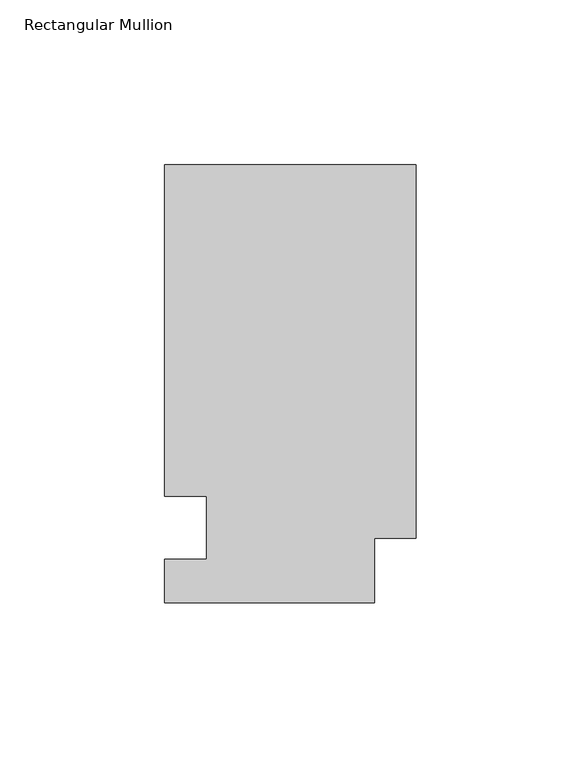
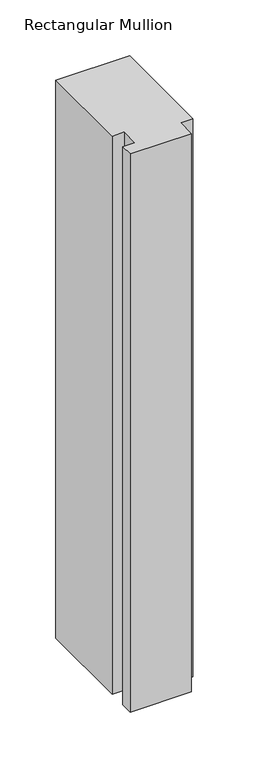
"""IFC4 building model written with IfcOpenShell, lengths in millimetres: member geometry, Rectangular Mullion."""

import ifcopenshell
import ifcopenshell.guid

model = None  # the IFC model being written
_history = None  # IfcOwnerHistory: only IFC2X3 demands one
_inside = {}  # id of a spatial element -> (the spatial element, [elements in it])
_under = {}  # id of a project, library or spatial element -> (it, [spatial elements below it])
_declared = {}  # id of a project -> (the project, [libraries it declares])
_typed = {}  # id of a type object -> (the type object, [elements of that type])
_made_of = {}  # id of a material, layer set ... -> (it, [elements and type objects made of it])


def new_model(schema):
    """Start an empty IFC model of exactly this schema.

    Asked for "IFC4X3", IfcOpenShell would pick the latest addendum, in which some entities
    have other attributes; the version numbers below select the first issue.
    IFC2X3 requires an IfcOwnerHistory on every rooted entity: one is made here for all.
    """
    global model, _history
    if schema == "IFC4X3":
        model = ifcopenshell.file(schema_version=(4, 3, 0, 0))
    else:
        model = ifcopenshell.file(schema=schema)
    _inside.clear()
    _under.clear()
    _declared.clear()
    _typed.clear()
    _made_of.clear()
    _history = None
    if model.schema == "IFC2X3":
        org = make("IfcOrganization", Name="unknown")
        user = make(
            "IfcPersonAndOrganization",
            ThePerson=make("IfcPerson", FamilyName="unknown"),
            TheOrganization=org,
        )
        app = make(
            "IfcApplication",
            ApplicationDeveloper=org,
            Version="unknown",
            ApplicationFullName="unknown",
            ApplicationIdentifier="unknown",
        )
        _history = make(
            "IfcOwnerHistory",
            OwningUser=user,
            OwningApplication=app,
            ChangeAction="ADDED",
            CreationDate=0,
        )
    return model


def make(cls, **values):
    """One entity of the class cls with the attributes given. An attribute that is None is left unset."""
    return model.create_entity(
        cls, **{name: value for name, value in values.items() if value is not None}
    )


def rooted(cls, **values):
    """An entity with a GlobalId (a new one), such as an element, a storey or a relation."""
    return make(cls, GlobalId=ifcopenshell.guid.new(), OwnerHistory=_history, **values)


def si_unit(unit_type, name, prefix=None):
    """IfcSIUnit, for example si_unit("LENGTHUNIT", "METRE", prefix="MILLI")."""
    return make("IfcSIUnit", UnitType=unit_type, Prefix=prefix, Name=name)


def assignment(units):
    """IfcUnitAssignment: the units of a project."""
    return None if units is None else make("IfcUnitAssignment", Units=units)


def point(xyz):
    """IfcCartesianPoint."""
    return None if xyz is None else make("IfcCartesianPoint", Coordinates=xyz)


def direction(xyz):
    """IfcDirection."""
    return None if xyz is None else make("IfcDirection", DirectionRatios=xyz)


def frame(location, z_axis=None, x_axis=None):
    """IfcAxis2Placement3D, a coordinate frame: its origin and axes. An axis left out is left unset."""
    return make(
        "IfcAxis2Placement3D",
        Location=point(location),
        Axis=direction(z_axis),
        RefDirection=direction(x_axis),
    )


def origin():
    """The frame at (0, 0, 0) with its axes left unset."""
    return frame((0.0, 0.0, 0.0))


def place(relative_to, where):
    """IfcLocalPlacement: puts the frame where relative to a parent placement (None: the world)."""
    return make(
        "IfcLocalPlacement", PlacementRelTo=relative_to, RelativePlacement=where
    )


def context(
    kind, dimensions, precision=None, world=None, true_north=None, identifier=None
):
    """IfcGeometricRepresentationContext, for example the 3D "Model" context."""
    return make(
        "IfcGeometricRepresentationContext",
        ContextIdentifier=identifier,
        ContextType=kind,
        CoordinateSpaceDimension=dimensions,
        Precision=precision,
        WorldCoordinateSystem=world,
        TrueNorth=true_north,
    )


def project(units=None, contexts=None):
    """IfcProject with its units and contexts."""
    return rooted(
        "IfcProject",
        Name="project",
        RepresentationContexts=contexts,
        UnitsInContext=assignment(units),
    )


def spatial(cls, under=None, at=None, **own):
    """A site, building, storey or space (cls), placed at a placement, below another one or the project."""
    s = rooted(cls, ObjectPlacement=at, **own)
    if under is not None:
        _under.setdefault(under.id(), (under, []))[1].append(s)
    return s


def polyline(points):
    """IfcPolyline through the points."""
    return make("IfcPolyline", Points=[point(p) for p in points])


def outline(outer, holes=None, kind="AREA"):
    """IfcArbitraryClosedProfileDef: a profile drawn as a closed curve; with holes, ...WithVoids."""
    if holes is None:
        return make("IfcArbitraryClosedProfileDef", ProfileType=kind, OuterCurve=outer)
    return make(
        "IfcArbitraryProfileDefWithVoids",
        ProfileType=kind,
        OuterCurve=outer,
        InnerCurves=holes,
    )


def extrude(swept, where, along, depth):
    """IfcExtrudedAreaSolid: the profile swept, set in the frame where, extruded along a direction by depth."""
    return make(
        "IfcExtrudedAreaSolid",
        SweptArea=swept,
        Position=where,
        ExtrudedDirection=direction(along),
        Depth=depth,
    )


def shape(context_of_items, identifier, shape_type, items):
    """IfcShapeRepresentation: the items that make up one representation, for example the "Body"."""
    return make(
        "IfcShapeRepresentation",
        ContextOfItems=context_of_items,
        RepresentationIdentifier=identifier,
        RepresentationType=shape_type,
        Items=items,
    )


def source(mapping_origin, context_of_items, identifier, shape_type, items):
    """IfcRepresentationMap: a shape defined once, which mapped items show again and again."""
    return make(
        "IfcRepresentationMap",
        MappingOrigin=mapping_origin,
        MappedRepresentation=shape(context_of_items, identifier, shape_type, items),
    )


def transform(
    local_origin,
    x_axis=None,
    y_axis=None,
    z_axis=None,
    scale=None,
    scale2=None,
    scale3=None,
    uniform=True,
):
    """IfcCartesianTransformationOperator3D, or its non-uniform kind. x_axis, y_axis, z_axis: its Axis1, 2, 3."""
    if uniform:
        return make(
            "IfcCartesianTransformationOperator3D",
            Axis1=direction(x_axis),
            Axis2=direction(y_axis),
            LocalOrigin=point(local_origin),
            Scale=scale,
            Axis3=direction(z_axis),
        )
    return make(
        "IfcCartesianTransformationOperator3DnonUniform",
        Axis1=direction(x_axis),
        Axis2=direction(y_axis),
        LocalOrigin=point(local_origin),
        Scale=scale,
        Axis3=direction(z_axis),
        Scale2=scale2,
        Scale3=scale3,
    )


def mapped(mapping_source, mapping_target):
    """IfcMappedItem: shows the shape of a source again, moved by a transform."""
    return make(
        "IfcMappedItem", MappingSource=mapping_source, MappingTarget=mapping_target
    )


def made_of(thing, what):
    """Note that an element or type object is made of a material, layer set ...; save() writes the relation."""
    if what is not None:
        _made_of.setdefault(what.id(), (what, []))[1].append(thing)
    return thing


def element(
    cls,
    number,
    at=None,
    inside=None,
    cuts=None,
    type_object=None,
    material=None,
    context=None,
    identifier="Body",
    shape_type=None,
    held_by="IfcProductDefinitionShape",
    body=None,
    shapes=None,
    **own,
):
    """One element of the class cls, such as IfcWall. Its Tag is "e" and its number.

    at: its placement. inside: the storey or other place that contains it. cuts: it is an
    opening in that element (IfcRelVoidsElement). A single representation is given by context,
    identifier, shape_type and body (its items); several are given by shapes. held_by: the class
    of the entity that holds the representations. save() writes the other relations.
    """
    e = rooted(cls, Tag="e%d" % number, ObjectPlacement=at, **own)
    if body is not None:
        shapes = [shape(context, identifier, shape_type, body)]
    if shapes is not None:
        e.Representation = make(held_by, Representations=shapes)
    if inside is not None:
        _inside.setdefault(inside.id(), (inside, []))[1].append(e)
    if cuts is not None:
        rooted(
            "IfcRelVoidsElement", RelatingBuildingElement=cuts, RelatedOpeningElement=e
        )
    if type_object is not None:
        _typed.setdefault(type_object.id(), (type_object, []))[1].append(e)
    return made_of(e, material)


def aggregate(whole, parts):
    """IfcRelAggregates: a whole, such as a stair, and the parts it consists of."""
    return rooted("IfcRelAggregates", RelatingObject=whole, RelatedObjects=parts)


def save(model, path):
    """Write the relations noted so far, then the file.

    IfcRelAggregates (storeys below a building ...), IfcRelContainedInSpatialStructure (elements
    in a storey), IfcRelDefinesByType, IfcRelAssociatesMaterial and IfcRelDeclares: one each for
    every whole, place, type object, material and project.
    """
    for whole, parts in _under.values():
        aggregate(whole, parts)
    for where, things in _inside.values():
        rooted(
            "IfcRelContainedInSpatialStructure",
            RelatedElements=things,
            RelatingStructure=where,
        )
    for kind, things in _typed.values():
        rooted("IfcRelDefinesByType", RelatedObjects=things, RelatingType=kind)
    for what, things in _made_of.values():
        rooted("IfcRelAssociatesMaterial", RelatedObjects=things, RelatingMaterial=what)
    for by, libraries in _declared.values():
        rooted("IfcRelDeclares", RelatingContext=by, RelatedDefinitions=libraries)
    model.write(path)


def rectangular_mullion_ae5c1d0a(model_context):
    return source(origin(), model_context, "Body", "SweptSolid", [
        extrude(outline(polyline([(0.0, 132.6522937), (0.0, 19.5460937), (-12.7, 19.5460938), (-12.7, 0.0134938), (-76.2, 0.0134938), (-76.2, 13.1960938), (-63.5, 13.1960937), (-63.5, 32.2460937), (-76.2, 32.2460938), (-76.2, 132.6522938), (0.0, 132.6522937)])), frame((0.0, 0.0, -609.6), z_axis=(0.0, 0.0, 1.0), x_axis=(1.0, 0.0, 0.0)), (0.0, 0.0, 1.0), 609.6),
    ])


if __name__ == "__main__":
    model = new_model("IFC4")
    model_context = context("Model", 3, world=origin())
    ifc_project = project(units=[si_unit("LENGTHUNIT", "METRE", prefix="MILLI")], contexts=[model_context])
    site = spatial("IfcSite", under=ifc_project)
    building = spatial("IfcBuilding", under=site)
    placement = place(None, origin())
    rectangular_mullion_shape = rectangular_mullion_ae5c1d0a(model_context)
    element("IfcMember", 1, ObjectType="Rectangular Mullion", at=placement, inside=building, context=model_context, shape_type="MappedRepresentation", body=[
        mapped(rectangular_mullion_shape, transform((0.0, 0.0, 0.0), x_axis=(1.0, 0.0, 0.0), y_axis=(0.0, 1.0, 0.0), z_axis=(0.0, 0.0, 1.0))),
    ])
    save(model, "model.ifc")
